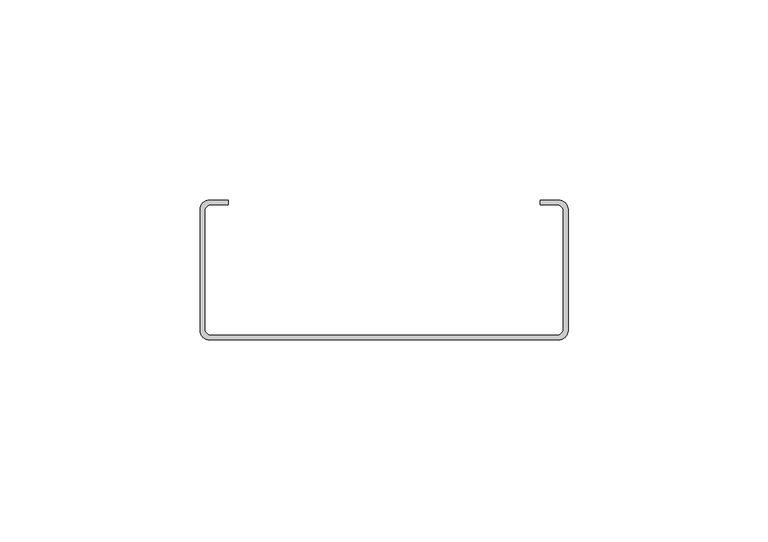
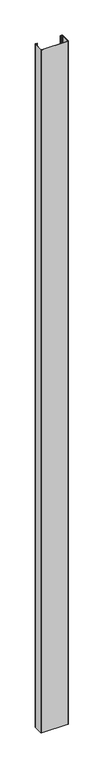
"""IFC4 building model written with IfcOpenShell, lengths in millimetres: proxy geometry."""

from ifc_helpers import new_model, si_unit, point, frame_2d, origin, origin_with_axes, place, context, project, spatial, polyline, circle_curve, trimmed, segment, composite_curve, outline, extrude, source, transform, mapped, element, save


def generic_models_485b2777(model_context):
    return source(origin(), model_context, "Body", "SweptSolid", [
        extrude(outline(composite_curve([segment(trimmed(circle_curve(frame_2d((-43.6418499, 2.3581501)), 2.3581501), [point((-43.6418499, 0.0))], [point((-46.0, 2.3581501))], False, "CARTESIAN"), True, "CONTINUOUS"), segment(polyline([(-46.0, 2.3581501), (-46.0, 32.6418499)]), True, "CONTINUOUS"), segment(trimmed(circle_curve(frame_2d((-43.6418499, 32.6418499)), 2.3581501), [point((-46.0, 32.6418499))], [point((-43.6418499, 35.0))], False, "CARTESIAN"), True, "CONTINUOUS"), segment(polyline([(-43.6418499, 35.0), (-39.0, 35.0), (-39.0, 33.8), (-43.2293499, 33.8)]), True, "CONTINUOUS"), segment(trimmed(circle_curve(frame_2d((-43.2293499, 32.2293499)), 1.5706501), [point((-43.2293499, 33.8))], [point((-44.8, 32.2293499))], True, "CARTESIAN"), True, "CONTINUOUS"), segment(polyline([(-44.8, 32.2293499), (-44.8, 2.7706501)]), True, "CONTINUOUS"), segment(trimmed(circle_curve(frame_2d((-43.2293499, 2.7706501)), 1.5706501), [point((-44.8, 2.7706501))], [point((-43.2293499, 1.2))], True, "CARTESIAN"), True, "CONTINUOUS"), segment(polyline([(-43.2293499, 1.2), (43.2293499, 1.2)]), True, "CONTINUOUS"), segment(trimmed(circle_curve(frame_2d((43.2293499, 2.7706501)), 1.5706501), [point((43.2293499, 1.2))], [point((44.8, 2.7706501))], True, "CARTESIAN"), True, "CONTINUOUS"), segment(polyline([(44.8, 2.7706501), (44.8, 32.2293499)]), True, "CONTINUOUS"), segment(trimmed(circle_curve(frame_2d((43.2293499, 32.2293499)), 1.5706501), [point((44.8, 32.2293499))], [point((43.2293499, 33.8))], True, "CARTESIAN"), True, "CONTINUOUS"), segment(polyline([(43.2293499, 33.8), (39.0, 33.8), (39.0, 35.0), (43.6418499, 35.0)]), True, "CONTINUOUS"), segment(trimmed(circle_curve(frame_2d((43.6418499, 32.6418499)), 2.3581501), [point((43.6418499, 35.0))], [point((46.0, 32.6418499))], False, "CARTESIAN"), True, "CONTINUOUS"), segment(polyline([(46.0, 32.6418499), (46.0, 2.3581501)]), True, "CONTINUOUS"), segment(trimmed(circle_curve(frame_2d((43.6418499, 2.3581501)), 2.3581501), [point((46.0, 2.3581501))], [point((43.6418499, 0.0))], False, "CARTESIAN"), True, "CONTINUOUS"), segment(polyline([(43.6418499, 0.0), (-43.6418499, 0.0)]), True, "CONTINUOUS")], self_intersect=False)), origin_with_axes(), (0.0, 0.0, 1.0), 2400.0),
    ])


if __name__ == "__main__":
    model = new_model("IFC4")
    model_context = context("Model", 3, world=origin())
    ifc_project = project(units=[si_unit("LENGTHUNIT", "METRE", prefix="MILLI")], contexts=[model_context])
    site = spatial("IfcSite", under=ifc_project)
    building = spatial("IfcBuilding", under=site)
    placement = place(None, origin())
    generic_models_shape = generic_models_485b2777(model_context)
    element("IfcBuildingElementProxy", 1, Name="Generic Models", at=placement, inside=building, context=model_context, shape_type="MappedRepresentation", body=[
        mapped(generic_models_shape, transform((0.0, 0.0, 0.0), x_axis=(1.0, 0.0, 0.0), y_axis=(0.0, 1.0, 0.0), z_axis=(0.0, 0.0, 1.0))),
    ])
    save(model, "model.ifc")
